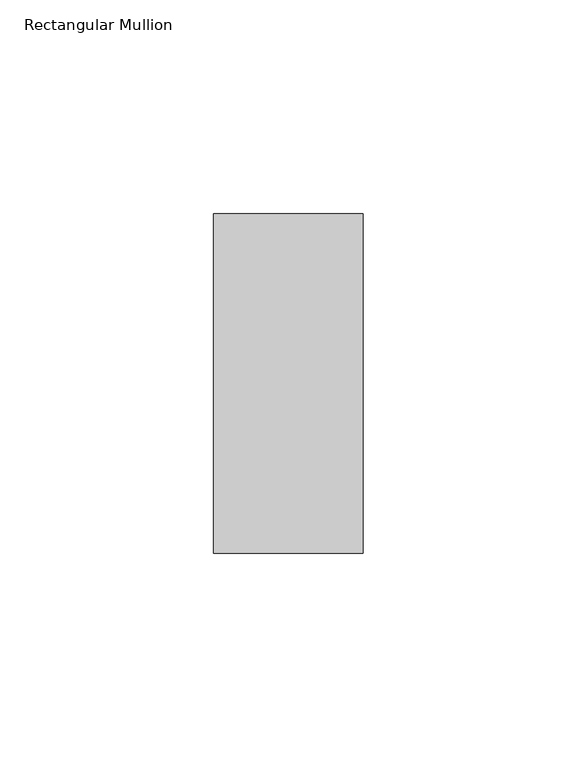
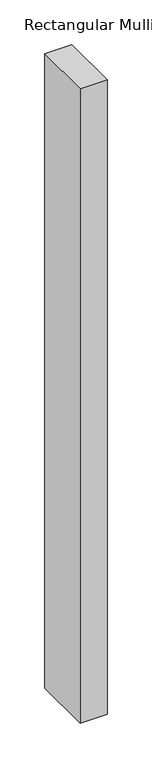
"""IFC4 building model written with IfcOpenShell, lengths in millimetres: member geometry, Rectangular Mullion."""

from ifc_helpers import new_model, si_unit, frame, origin, place, context, project, spatial, polyline, outline, extrude, source, transform, mapped, element, save


def rectangular_mullion_d193f3ce(model_context):
    return source(origin(), model_context, "Body", "SweptSolid", [
        extrude(outline(polyline([(0.0, 30.1625), (0.0, -49.2125), (-34.925, -49.2125), (-34.925, 30.1625), (0.0, 30.1625)])), frame((0.0, 0.0, -867.41), z_axis=(0.0, 0.0, 1.0), x_axis=(1.0, 0.0, 0.0)), (0.0, 0.0, 1.0), 867.41),
    ])


if __name__ == "__main__":
    model = new_model("IFC4")
    model_context = context("Model", 3, world=origin())
    ifc_project = project(units=[si_unit("LENGTHUNIT", "METRE", prefix="MILLI")], contexts=[model_context])
    site = spatial("IfcSite", under=ifc_project)
    building = spatial("IfcBuilding", under=site)
    placement = place(None, origin())
    rectangular_mullion_shape = rectangular_mullion_d193f3ce(model_context)
    element("IfcMember", 1, ObjectType="Rectangular Mullion", at=placement, inside=building, context=model_context, shape_type="MappedRepresentation", body=[
        mapped(rectangular_mullion_shape, transform((0.0, 0.0, 0.0), x_axis=(1.0, 0.0, 0.0), y_axis=(0.0, 1.0, 0.0), z_axis=(0.0, 0.0, 1.0))),
    ])
    save(model, "model.ifc")
